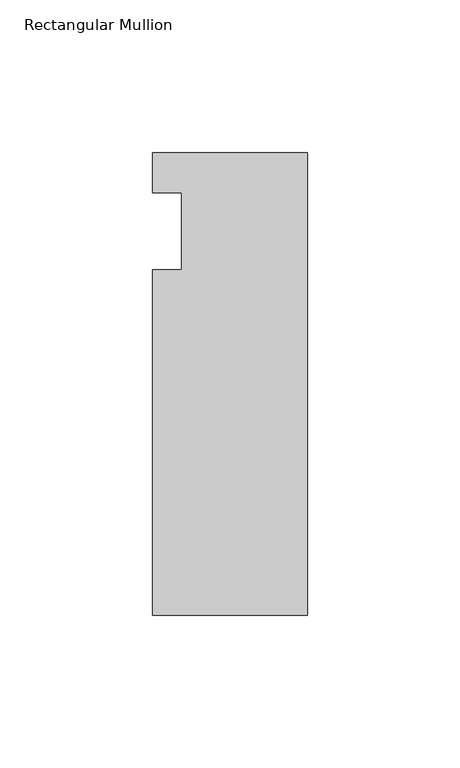
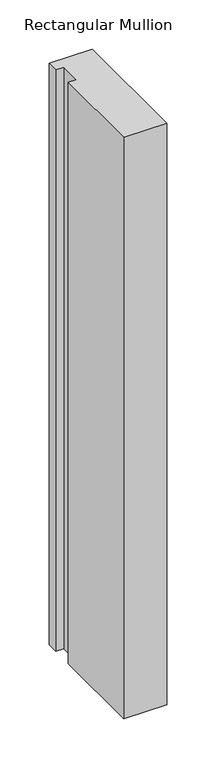
"""IFC4 building model written with IfcOpenShell, lengths in millimetres: member geometry, Rectangular Mullion."""

from ifc_helpers import new_model, si_unit, frame, origin, place, context, project, spatial, polyline, outline, extrude, source, transform, mapped, element, save


def rectangular_mullion_0b45e972(model_context):
    return source(origin(), model_context, "Body", "SweptSolid", [
        extrude(outline(polyline([(-50.8, 25.7961253), (0.0, 25.7961253), (0.0, -125.8036906), (-50.8, -125.8036906), (-50.8, -12.7), (-41.275, -12.7), (-41.275, 12.7), (-50.8, 12.7), (-50.8, 25.7961253)])), frame((0.0, 0.0, -722.3178263), z_axis=(0.0, 0.0, 1.0), x_axis=(1.0, 0.0, 0.0)), (0.0, 0.0, 1.0), 722.3178263),
    ])


if __name__ == "__main__":
    model = new_model("IFC4")
    model_context = context("Model", 3, world=origin())
    ifc_project = project(units=[si_unit("LENGTHUNIT", "METRE", prefix="MILLI")], contexts=[model_context])
    site = spatial("IfcSite", under=ifc_project)
    building = spatial("IfcBuilding", under=site)
    placement = place(None, origin())
    rectangular_mullion_shape = rectangular_mullion_0b45e972(model_context)
    element("IfcMember", 1, ObjectType="Rectangular Mullion", at=placement, inside=building, context=model_context, shape_type="MappedRepresentation", body=[
        mapped(rectangular_mullion_shape, transform((0.0, 0.0, 0.0), x_axis=(1.0, 0.0, 0.0), y_axis=(0.0, 1.0, 0.0), z_axis=(0.0, 0.0, 1.0))),
    ])
    save(model, "model.ifc")
